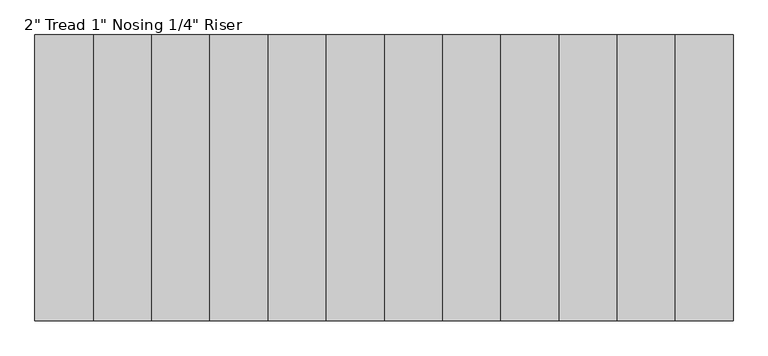
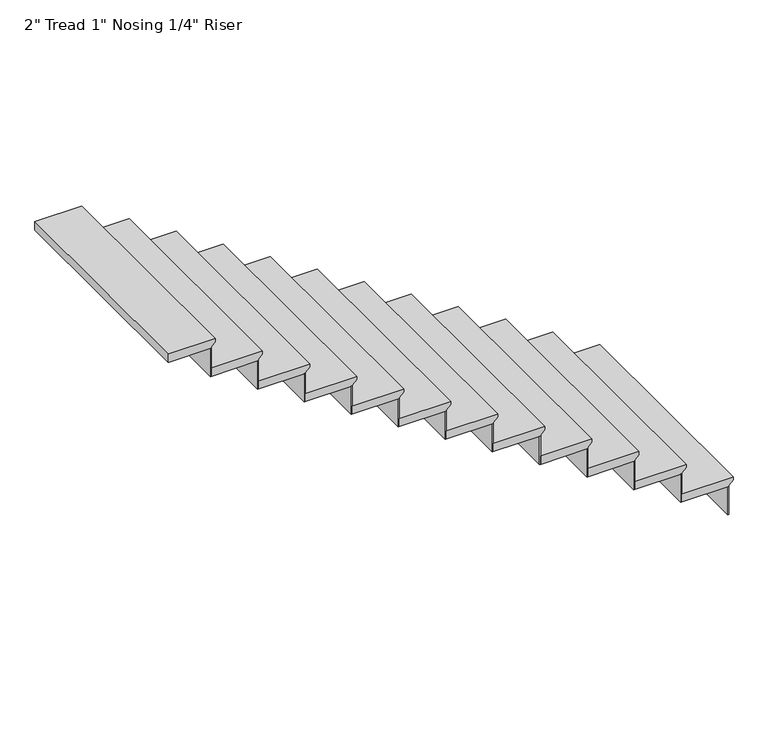
"""IFC4 building model written with IfcOpenShell, lengths in millimetres: stair flight geometry."""

from ifc_helpers import new_model, si_unit, frame, origin, place, context, project, spatial, polyline, outline, extrude, source, transform, mapped, element, save


def stair_flight_21b03635(model_context):
    return source(origin(), model_context, "Body", "SweptSolid", [
        extrude(outline(polyline([(2120.3478261, -511321.2106288), (2120.3478261, -511626.0106288), (2069.5478261, -511626.0106288), (2069.5478261, -511346.6106288), (2075.8978261, -511346.6106288), (2101.2978261, -511321.2106288), (2120.3478261, -511321.2106288)])), frame((0.0, 20346.7341336, 0.0), z_axis=(0.0, 1.0, 0.0), x_axis=(0.0, 0.0, 1.0)), (0.0, 0.0, 1.0), 1371.6),
        extrude(outline(polyline([(-511352.9606288, 21718.3341336), (-511346.6106288, 21718.3341336), (-511346.6106288, 20346.7341336), (-511352.9606288, 20346.7341336), (-511352.9606288, 21718.3341336)])), frame((0.0, 0.0, 1892.8521739), z_axis=(0.0, 0.0, 1.0), x_axis=(1.0, 0.0, 0.0)), (0.0, 0.0, 1.0), 176.6956522),
        extrude(outline(polyline([(-511632.3606288, 21718.3341336), (-511626.0106288, 21718.3341336), (-511626.0106288, 20346.7341336), (-511632.3606288, 20346.7341336), (-511632.3606288, 21718.3341336)])), frame((0.0, 0.0, 2069.5478261), z_axis=(0.0, 0.0, 1.0), x_axis=(1.0, 0.0, 0.0)), (0.0, 0.0, 1.0), 176.6956522),
        extrude(outline(polyline([(2297.0434783, -511600.6106288), (2297.0434783, -511905.4106288), (2246.2434783, -511905.4106288), (2246.2434783, -511626.0106288), (2252.5934783, -511626.0106288), (2277.9934783, -511600.6106288), (2297.0434783, -511600.6106288)])), frame((0.0, 20346.7341336, 0.0), z_axis=(0.0, 1.0, 0.0), x_axis=(0.0, 0.0, 1.0)), (0.0, 0.0, 1.0), 1371.6),
        extrude(outline(polyline([(-511911.7606288, 21718.3341336), (-511905.4106288, 21718.3341336), (-511905.4106288, 20346.7341336), (-511911.7606288, 20346.7341336), (-511911.7606288, 21718.3341336)])), frame((0.0, 0.0, 2246.2434783), z_axis=(0.0, 0.0, 1.0), x_axis=(1.0, 0.0, 0.0)), (0.0, 0.0, 1.0), 176.6956522),
        extrude(outline(polyline([(2473.7391304, -511880.0106288), (2473.7391304, -512184.8106288), (2422.9391304, -512184.8106288), (2422.9391304, -511905.4106288), (2429.2891304, -511905.4106288), (2454.6891304, -511880.0106288), (2473.7391304, -511880.0106288)])), frame((0.0, 20346.7341336, 0.0), z_axis=(0.0, 1.0, 0.0), x_axis=(0.0, 0.0, 1.0)), (0.0, 0.0, 1.0), 1371.6),
        extrude(outline(polyline([(-512191.1606288, 21718.3341336), (-512184.8106288, 21718.3341336), (-512184.8106288, 20346.7341336), (-512191.1606288, 20346.7341336), (-512191.1606288, 21718.3341336)])), frame((0.0, 0.0, 2422.9391304), z_axis=(0.0, 0.0, 1.0), x_axis=(1.0, 0.0, 0.0)), (0.0, 0.0, 1.0), 176.6956522),
        extrude(outline(polyline([(2650.4347826, -512159.4106288), (2650.4347826, -512464.2106288), (2599.6347826, -512464.2106288), (2599.6347826, -512184.8106288), (2605.9847826, -512184.8106288), (2631.3847826, -512159.4106288), (2650.4347826, -512159.4106288)])), frame((0.0, 20346.7341336, 0.0), z_axis=(0.0, 1.0, 0.0), x_axis=(0.0, 0.0, 1.0)), (0.0, 0.0, 1.0), 1371.6),
        extrude(outline(polyline([(-512470.5606288, 21718.3341336), (-512464.2106288, 21718.3341336), (-512464.2106288, 20346.7341336), (-512470.5606288, 20346.7341336), (-512470.5606288, 21718.3341336)])), frame((0.0, 0.0, 2599.6347826), z_axis=(0.0, 0.0, 1.0), x_axis=(1.0, 0.0, 0.0)), (0.0, 0.0, 1.0), 176.6956522),
        extrude(outline(polyline([(2827.1304348, -512438.8106288), (2827.1304348, -512743.6106288), (2776.3304348, -512743.6106288), (2776.3304348, -512464.2106288), (2782.6804348, -512464.2106288), (2808.0804348, -512438.8106288), (2827.1304348, -512438.8106288)])), frame((0.0, 20346.7341336, 0.0), z_axis=(0.0, 1.0, 0.0), x_axis=(0.0, 0.0, 1.0)), (0.0, 0.0, 1.0), 1371.6),
        extrude(outline(polyline([(-512749.9606288, 21718.3341336), (-512743.6106288, 21718.3341336), (-512743.6106288, 20346.7341336), (-512749.9606288, 20346.7341336), (-512749.9606288, 21718.3341336)])), frame((0.0, 0.0, 2776.3304348), z_axis=(0.0, 0.0, 1.0), x_axis=(1.0, 0.0, 0.0)), (0.0, 0.0, 1.0), 176.6956522),
        extrude(outline(polyline([(3003.826087, -512718.2106288), (3003.826087, -513023.0106288), (2953.026087, -513023.0106288), (2953.026087, -512743.6106288), (2959.376087, -512743.6106288), (2984.776087, -512718.2106288), (3003.826087, -512718.2106288)])), frame((0.0, 20346.7341336, 0.0), z_axis=(0.0, 1.0, 0.0), x_axis=(0.0, 0.0, 1.0)), (0.0, 0.0, 1.0), 1371.6),
        extrude(outline(polyline([(-513029.3606288, 21718.3341336), (-513023.0106288, 21718.3341336), (-513023.0106288, 20346.7341336), (-513029.3606288, 20346.7341336), (-513029.3606288, 21718.3341336)])), frame((0.0, 0.0, 2953.026087), z_axis=(0.0, 0.0, 1.0), x_axis=(1.0, 0.0, 0.0)), (0.0, 0.0, 1.0), 176.6956522),
        extrude(outline(polyline([(3180.5217391, -512997.6106288), (3180.5217391, -513302.4106288), (3129.7217391, -513302.4106288), (3129.7217391, -513023.0106288), (3136.0717391, -513023.0106288), (3161.4717391, -512997.6106288), (3180.5217391, -512997.6106288)])), frame((0.0, 20346.7341336, 0.0), z_axis=(0.0, 1.0, 0.0), x_axis=(0.0, 0.0, 1.0)), (0.0, 0.0, 1.0), 1371.6),
        extrude(outline(polyline([(-513308.7606288, 21718.3341336), (-513302.4106288, 21718.3341336), (-513302.4106288, 20346.7341336), (-513308.7606288, 20346.7341336), (-513308.7606288, 21718.3341336)])), frame((0.0, 0.0, 3129.7217391), z_axis=(0.0, 0.0, 1.0), x_axis=(1.0, 0.0, 0.0)), (0.0, 0.0, 1.0), 176.6956522),
        extrude(outline(polyline([(3357.2173913, -513277.0106288), (3357.2173913, -513581.8106288), (3306.4173913, -513581.8106288), (3306.4173913, -513302.4106288), (3312.7673913, -513302.4106288), (3338.1673913, -513277.0106288), (3357.2173913, -513277.0106288)])), frame((0.0, 20346.7341336, 0.0), z_axis=(0.0, 1.0, 0.0), x_axis=(0.0, 0.0, 1.0)), (0.0, 0.0, 1.0), 1371.6),
        extrude(outline(polyline([(-513588.1606288, 21718.3341336), (-513581.8106288, 21718.3341336), (-513581.8106288, 20346.7341336), (-513588.1606288, 20346.7341336), (-513588.1606288, 21718.3341336)])), frame((0.0, 0.0, 3306.4173913), z_axis=(0.0, 0.0, 1.0), x_axis=(1.0, 0.0, 0.0)), (0.0, 0.0, 1.0), 176.6956522),
        extrude(outline(polyline([(3533.9130435, -513556.4106288), (3533.9130435, -513861.2106288), (3483.1130435, -513861.2106288), (3483.1130435, -513581.8106288), (3489.4630435, -513581.8106288), (3514.8630435, -513556.4106288), (3533.9130435, -513556.4106288)])), frame((0.0, 20346.7341336, 0.0), z_axis=(0.0, 1.0, 0.0), x_axis=(0.0, 0.0, 1.0)), (0.0, 0.0, 1.0), 1371.6),
        extrude(outline(polyline([(-513867.5606288, 21718.3341336), (-513861.2106288, 21718.3341336), (-513861.2106288, 20346.7341336), (-513867.5606288, 20346.7341336), (-513867.5606288, 21718.3341336)])), frame((0.0, 0.0, 3483.1130435), z_axis=(0.0, 0.0, 1.0), x_axis=(1.0, 0.0, 0.0)), (0.0, 0.0, 1.0), 176.6956522),
        extrude(outline(polyline([(3710.6086957, -513835.8106288), (3710.6086957, -514140.6106288), (3659.8086957, -514140.6106288), (3659.8086957, -513861.2106288), (3666.1586957, -513861.2106288), (3691.5586957, -513835.8106288), (3710.6086957, -513835.8106288)])), frame((0.0, 20346.7341336, 0.0), z_axis=(0.0, 1.0, 0.0), x_axis=(0.0, 0.0, 1.0)), (0.0, 0.0, 1.0), 1371.6),
        extrude(outline(polyline([(-514146.9606288, 21718.3341336), (-514140.6106288, 21718.3341336), (-514140.6106288, 20346.7341336), (-514146.9606288, 20346.7341336), (-514146.9606288, 21718.3341336)])), frame((0.0, 0.0, 3659.8086957), z_axis=(0.0, 0.0, 1.0), x_axis=(1.0, 0.0, 0.0)), (0.0, 0.0, 1.0), 176.6956522),
        extrude(outline(polyline([(3887.3043478, -514115.2106288), (3887.3043478, -514420.0106288), (3836.5043478, -514420.0106288), (3836.5043478, -514140.6106288), (3842.8543478, -514140.6106288), (3868.2543478, -514115.2106288), (3887.3043478, -514115.2106288)])), frame((0.0, 20346.7341336, 0.0), z_axis=(0.0, 1.0, 0.0), x_axis=(0.0, 0.0, 1.0)), (0.0, 0.0, 1.0), 1371.6),
        extrude(outline(polyline([(-514426.3606288, 21718.3341336), (-514420.0106288, 21718.3341336), (-514420.0106288, 20346.7341336), (-514426.3606288, 20346.7341336), (-514426.3606288, 21718.3341336)])), frame((0.0, 0.0, 3836.5043478), z_axis=(0.0, 0.0, 1.0), x_axis=(1.0, 0.0, 0.0)), (0.0, 0.0, 1.0), 176.6956522),
        extrude(outline(polyline([(4064.0, -514394.6106288), (4064.0, -514674.0106288), (4013.2, -514674.0106288), (4013.2, -514420.0106288), (4019.55, -514420.0106288), (4044.95, -514394.6106288), (4064.0, -514394.6106288)])), frame((0.0, 20346.7341336, 0.0), z_axis=(0.0, 1.0, 0.0), x_axis=(0.0, 0.0, 1.0)), (0.0, 0.0, 1.0), 1371.6),
    ])


if __name__ == "__main__":
    model = new_model("IFC4")
    model_context = context("Model", 3, world=origin())
    ifc_project = project(units=[si_unit("LENGTHUNIT", "METRE", prefix="MILLI")], contexts=[model_context])
    site = spatial("IfcSite", under=ifc_project)
    building = spatial("IfcBuilding", under=site)
    placement = place(None, origin())
    stair_flight_shape = stair_flight_21b03635(model_context)
    element("IfcStairFlight", 1, ObjectType="2\" Tread 1\" Nosing 1/4\" Riser", at=placement, inside=building, context=model_context, shape_type="MappedRepresentation", body=[
        mapped(stair_flight_shape, transform((0.0, 0.0, 0.0), x_axis=(1.0, 0.0, 0.0), y_axis=(0.0, 1.0, 0.0), z_axis=(0.0, 0.0, 1.0))),
    ])
    save(model, "model.ifc")
